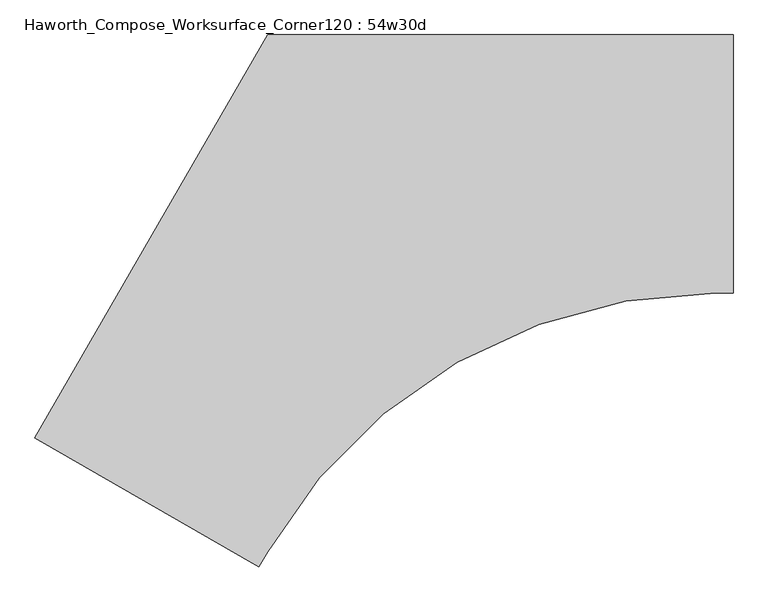
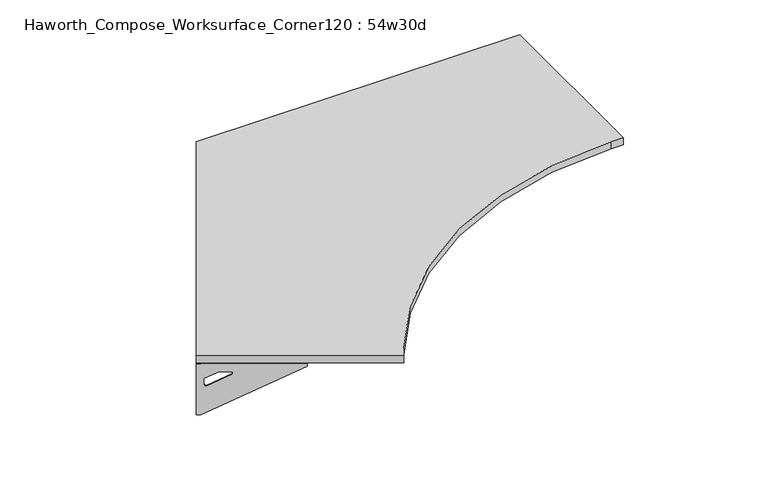
"""IFC4 building model written with IfcOpenShell, lengths in millimetres: furniture geometry, Haworth_Compose_Worksurface_Corner120 : 54w30d."""

import ifcopenshell
import ifcopenshell.guid

model = None  # the IFC model being written
_history = None  # IfcOwnerHistory: only IFC2X3 demands one
_inside = {}  # id of a spatial element -> (the spatial element, [elements in it])
_under = {}  # id of a project, library or spatial element -> (it, [spatial elements below it])
_declared = {}  # id of a project -> (the project, [libraries it declares])
_typed = {}  # id of a type object -> (the type object, [elements of that type])
_made_of = {}  # id of a material, layer set ... -> (it, [elements and type objects made of it])


def new_model(schema):
    """Start an empty IFC model of exactly this schema.

    Asked for "IFC4X3", IfcOpenShell would pick the latest addendum, in which some entities
    have other attributes; the version numbers below select the first issue.
    IFC2X3 requires an IfcOwnerHistory on every rooted entity: one is made here for all.
    """
    global model, _history
    if schema == "IFC4X3":
        model = ifcopenshell.file(schema_version=(4, 3, 0, 0))
    else:
        model = ifcopenshell.file(schema=schema)
    _inside.clear()
    _under.clear()
    _declared.clear()
    _typed.clear()
    _made_of.clear()
    _history = None
    if model.schema == "IFC2X3":
        org = make("IfcOrganization", Name="unknown")
        user = make(
            "IfcPersonAndOrganization",
            ThePerson=make("IfcPerson", FamilyName="unknown"),
            TheOrganization=org,
        )
        app = make(
            "IfcApplication",
            ApplicationDeveloper=org,
            Version="unknown",
            ApplicationFullName="unknown",
            ApplicationIdentifier="unknown",
        )
        _history = make(
            "IfcOwnerHistory",
            OwningUser=user,
            OwningApplication=app,
            ChangeAction="ADDED",
            CreationDate=0,
        )
    return model


def make(cls, **values):
    """One entity of the class cls with the attributes given. An attribute that is None is left unset."""
    return model.create_entity(
        cls, **{name: value for name, value in values.items() if value is not None}
    )


def rooted(cls, **values):
    """An entity with a GlobalId (a new one), such as an element, a storey or a relation."""
    return make(cls, GlobalId=ifcopenshell.guid.new(), OwnerHistory=_history, **values)


def si_unit(unit_type, name, prefix=None):
    """IfcSIUnit, for example si_unit("LENGTHUNIT", "METRE", prefix="MILLI")."""
    return make("IfcSIUnit", UnitType=unit_type, Prefix=prefix, Name=name)


def assignment(units):
    """IfcUnitAssignment: the units of a project."""
    return None if units is None else make("IfcUnitAssignment", Units=units)


def point(xyz):
    """IfcCartesianPoint."""
    return None if xyz is None else make("IfcCartesianPoint", Coordinates=xyz)


def direction(xyz):
    """IfcDirection."""
    return None if xyz is None else make("IfcDirection", DirectionRatios=xyz)


def frame(location, z_axis=None, x_axis=None):
    """IfcAxis2Placement3D, a coordinate frame: its origin and axes. An axis left out is left unset."""
    return make(
        "IfcAxis2Placement3D",
        Location=point(location),
        Axis=direction(z_axis),
        RefDirection=direction(x_axis),
    )


def frame_2d(location, x_axis=None):
    """IfcAxis2Placement2D, a coordinate frame in the plane: its origin and x axis."""
    return make(
        "IfcAxis2Placement2D", Location=point(location), RefDirection=direction(x_axis)
    )


def origin():
    """The frame at (0, 0, 0) with its axes left unset."""
    return frame((0.0, 0.0, 0.0))


def place(relative_to, where):
    """IfcLocalPlacement: puts the frame where relative to a parent placement (None: the world)."""
    return make(
        "IfcLocalPlacement", PlacementRelTo=relative_to, RelativePlacement=where
    )


def context(
    kind, dimensions, precision=None, world=None, true_north=None, identifier=None
):
    """IfcGeometricRepresentationContext, for example the 3D "Model" context."""
    return make(
        "IfcGeometricRepresentationContext",
        ContextIdentifier=identifier,
        ContextType=kind,
        CoordinateSpaceDimension=dimensions,
        Precision=precision,
        WorldCoordinateSystem=world,
        TrueNorth=true_north,
    )


def project(units=None, contexts=None):
    """IfcProject with its units and contexts."""
    return rooted(
        "IfcProject",
        Name="project",
        RepresentationContexts=contexts,
        UnitsInContext=assignment(units),
    )


def spatial(cls, under=None, at=None, **own):
    """A site, building, storey or space (cls), placed at a placement, below another one or the project."""
    s = rooted(cls, ObjectPlacement=at, **own)
    if under is not None:
        _under.setdefault(under.id(), (under, []))[1].append(s)
    return s


def polyline(points):
    """IfcPolyline through the points."""
    return make("IfcPolyline", Points=[point(p) for p in points])


def circle_curve(where, radius):
    """IfcCircle in the frame where."""
    return make("IfcCircle", Position=where, Radius=radius)


def trimmed(basis, trim1, trim2, sense, master):
    """IfcTrimmedCurve: the piece of a basis curve between two trims."""
    return make(
        "IfcTrimmedCurve",
        BasisCurve=basis,
        Trim1=trim1,
        Trim2=trim2,
        SenseAgreement=sense,
        MasterRepresentation=master,
    )


def segment(curve, same_sense, transition):
    """IfcCompositeCurveSegment."""
    return make(
        "IfcCompositeCurveSegment",
        Transition=transition,
        SameSense=same_sense,
        ParentCurve=curve,
    )


def composite_curve(segments, self_intersect=None):
    """IfcCompositeCurve: segments joined end to end."""
    return make("IfcCompositeCurve", Segments=segments, SelfIntersect=self_intersect)


def outline(outer, holes=None, kind="AREA"):
    """IfcArbitraryClosedProfileDef: a profile drawn as a closed curve; with holes, ...WithVoids."""
    if holes is None:
        return make("IfcArbitraryClosedProfileDef", ProfileType=kind, OuterCurve=outer)
    return make(
        "IfcArbitraryProfileDefWithVoids",
        ProfileType=kind,
        OuterCurve=outer,
        InnerCurves=holes,
    )


def extrude(swept, where, along, depth):
    """IfcExtrudedAreaSolid: the profile swept, set in the frame where, extruded along a direction by depth."""
    return make(
        "IfcExtrudedAreaSolid",
        SweptArea=swept,
        Position=where,
        ExtrudedDirection=direction(along),
        Depth=depth,
    )


def shape(context_of_items, identifier, shape_type, items):
    """IfcShapeRepresentation: the items that make up one representation, for example the "Body"."""
    return make(
        "IfcShapeRepresentation",
        ContextOfItems=context_of_items,
        RepresentationIdentifier=identifier,
        RepresentationType=shape_type,
        Items=items,
    )


def source(mapping_origin, context_of_items, identifier, shape_type, items):
    """IfcRepresentationMap: a shape defined once, which mapped items show again and again."""
    return make(
        "IfcRepresentationMap",
        MappingOrigin=mapping_origin,
        MappedRepresentation=shape(context_of_items, identifier, shape_type, items),
    )


def transform(
    local_origin,
    x_axis=None,
    y_axis=None,
    z_axis=None,
    scale=None,
    scale2=None,
    scale3=None,
    uniform=True,
):
    """IfcCartesianTransformationOperator3D, or its non-uniform kind. x_axis, y_axis, z_axis: its Axis1, 2, 3."""
    if uniform:
        return make(
            "IfcCartesianTransformationOperator3D",
            Axis1=direction(x_axis),
            Axis2=direction(y_axis),
            LocalOrigin=point(local_origin),
            Scale=scale,
            Axis3=direction(z_axis),
        )
    return make(
        "IfcCartesianTransformationOperator3DnonUniform",
        Axis1=direction(x_axis),
        Axis2=direction(y_axis),
        LocalOrigin=point(local_origin),
        Scale=scale,
        Axis3=direction(z_axis),
        Scale2=scale2,
        Scale3=scale3,
    )


def mapped(mapping_source, mapping_target):
    """IfcMappedItem: shows the shape of a source again, moved by a transform."""
    return make(
        "IfcMappedItem", MappingSource=mapping_source, MappingTarget=mapping_target
    )


def made_of(thing, what):
    """Note that an element or type object is made of a material, layer set ...; save() writes the relation."""
    if what is not None:
        _made_of.setdefault(what.id(), (what, []))[1].append(thing)
    return thing


def element(
    cls,
    number,
    at=None,
    inside=None,
    cuts=None,
    type_object=None,
    material=None,
    context=None,
    identifier="Body",
    shape_type=None,
    held_by="IfcProductDefinitionShape",
    body=None,
    shapes=None,
    **own,
):
    """One element of the class cls, such as IfcWall. Its Tag is "e" and its number.

    at: its placement. inside: the storey or other place that contains it. cuts: it is an
    opening in that element (IfcRelVoidsElement). A single representation is given by context,
    identifier, shape_type and body (its items); several are given by shapes. held_by: the class
    of the entity that holds the representations. save() writes the other relations.
    """
    e = rooted(cls, Tag="e%d" % number, ObjectPlacement=at, **own)
    if body is not None:
        shapes = [shape(context, identifier, shape_type, body)]
    if shapes is not None:
        e.Representation = make(held_by, Representations=shapes)
    if inside is not None:
        _inside.setdefault(inside.id(), (inside, []))[1].append(e)
    if cuts is not None:
        rooted(
            "IfcRelVoidsElement", RelatingBuildingElement=cuts, RelatedOpeningElement=e
        )
    if type_object is not None:
        _typed.setdefault(type_object.id(), (type_object, []))[1].append(e)
    return made_of(e, material)


def aggregate(whole, parts):
    """IfcRelAggregates: a whole, such as a stair, and the parts it consists of."""
    return rooted("IfcRelAggregates", RelatingObject=whole, RelatedObjects=parts)


def save(model, path):
    """Write the relations noted so far, then the file.

    IfcRelAggregates (storeys below a building ...), IfcRelContainedInSpatialStructure (elements
    in a storey), IfcRelDefinesByType, IfcRelAssociatesMaterial and IfcRelDeclares: one each for
    every whole, place, type object, material and project.
    """
    for whole, parts in _under.values():
        aggregate(whole, parts)
    for where, things in _inside.values():
        rooted(
            "IfcRelContainedInSpatialStructure",
            RelatedElements=things,
            RelatingStructure=where,
        )
    for kind, things in _typed.values():
        rooted("IfcRelDefinesByType", RelatedObjects=things, RelatingType=kind)
    for what, things in _made_of.values():
        rooted("IfcRelAssociatesMaterial", RelatedObjects=things, RelatingMaterial=what)
    for by, libraries in _declared.values():
        rooted("IfcRelDeclares", RelatingContext=by, RelatedDefinitions=libraries)
    model.write(path)


def plane_surface(at):
    """IfcPlane: the flat surface through the origin of the frame at, square to its z axis."""
    return make("IfcPlane", Position=at)


def revolved_surface(curve, axis_point, axis_direction):
    """IfcSurfaceOfRevolution: the curve turned about the line through axis_point along axis_direction."""
    return make(
        "IfcSurfaceOfRevolution",
        SweptCurve=make("IfcArbitraryOpenProfileDef", ProfileType="CURVE", Curve=curve),
        AxisPosition=make("IfcAxis1Placement", Location=point(axis_point), Axis=direction(axis_direction)),
    )


def advanced_brep(points, edges, surfaces, faces):
    """IfcAdvancedBrep: a solid bounded by faces that lie on surfaces and meet in shared edges.

    An edge is (start, end): straight between two places in points (the first is 0);
    or (start, end, curve); or (start, end, curve, False) where it runs against its curve.
    A face is (place in surfaces, loops), or (place, loops, False) where it looks against
    its surface's normal. A loop lists edges by number (the first is 1), with a minus sign
    where the edge is run from its end to its start. The first loop is the outer one.
    """
    corners = [point(p) for p in points]
    vertices = [make("IfcVertexPoint", VertexGeometry=c) for c in corners]
    made = []
    for start, end, *more in edges:
        made.append(
            make(
                "IfcEdgeCurve",
                EdgeStart=vertices[start],
                EdgeEnd=vertices[end],
                EdgeGeometry=more[0] if more else make("IfcPolyline", Points=[corners[start], corners[end]]),
                SameSense=more[1] if len(more) > 1 else True,
            )
        )
    hull = []
    for where, loops, *sense in faces:
        bounds = []
        for j, loop in enumerate(loops):
            ring = [make("IfcOrientedEdge", EdgeElement=made[abs(k) - 1], Orientation=k > 0) for k in loop]
            bounds.append(
                make(
                    "IfcFaceOuterBound" if j == 0 else "IfcFaceBound",
                    Bound=make("IfcEdgeLoop", EdgeList=ring),
                    Orientation=True,
                )
            )
        hull.append(make("IfcAdvancedFace", Bounds=bounds, FaceSurface=surfaces[where], SameSense=sense[0] if sense else True))
    return make("IfcAdvancedBrep", Outer=make("IfcClosedShell", CfsFaces=hull))


def haworth_compose_worksurface_corner120_54w30d_5f520fa8(model_context):
    return source(origin(), model_context, "Body", "SolidModel", [
        advanced_brep(
        [(607.21875, 304.8, 473.86875), (607.21875, 288.925, 473.86875), (607.21875, -101.6, 690.1317568), (607.21875, -101.6, 702.46875), (607.21875, 288.925, 702.46875), (607.21875, 304.8, 702.46875), (607.21875, 221.490072, 664.36875), (607.21875, 177.8355284, 664.36875), (607.21875, 175.1564235, 654.7830539), (607.21875, 266.8776173, 603.9901439), (607.21875, 276.225, 609.5881969), (607.21875, 276.225, 633.0985246), (607.21875, 274.4730055, 635.9367776), (607.21875, 224.5663437, 663.5738425), (609.6, 304.8, 473.86875), (609.6, 304.8, 702.46875), (609.6, 288.925, 702.46875), (609.6, 288.925, 704.85), (609.6, -101.6, 704.85), (609.6, -101.6, 690.1317568), (609.6, 288.925, 473.86875), (609.6, 221.490072, 664.36875), (609.6, 224.5663437, 663.5738425), (609.6, 274.4730055, 635.9367776), (609.6, 276.225, 633.0985246), (609.6, 276.225, 609.5881969), (609.6, 266.8776173, 603.9901439), (609.6, 175.1564235, 654.7830539), (609.6, 177.8355284, 664.36875), (568.325, -101.6, 704.85), (568.325, -101.6, 702.46875), (568.325, 288.925, 702.46875), (568.325, 288.925, 704.85)],
        [
            (0, 1),
            (1, 2),
            (2, 3),
            (3, 4),
            (4, 5),
            (5, 0),
            (6, 7),
            (7, 8, circle_curve(frame((607.21875, 177.8355284, 659.2015106), z_axis=(1.0, 0.0, 0.0), x_axis=(0.0, -1.0, 0.0)), 5.1672394)),
            (8, 9),
            (9, 10, circle_curve(frame((607.21875, 269.875, 609.5881969), z_axis=(1.0, 0.0, 0.0), x_axis=(0.0, -1.0, 0.0)), 6.35)),
            (10, 11),
            (11, 12, circle_curve(frame((607.21875, 273.05, 633.0985246), z_axis=(1.0, 0.0, 0.0), x_axis=(0.0, -1.0, 0.0)), 3.175)),
            (12, 13),
            (13, 6, circle_curve(frame((607.21875, 221.490072, 658.01875), z_axis=(1.0, 0.0, 0.0), x_axis=(0.0, -1.0, 0.0)), 6.35)),
            (14, 15),
            (15, 16),
            (16, 17),
            (17, 18),
            (18, 19),
            (19, 20),
            (20, 14),
            (21, 22, circle_curve(frame((609.6, 221.490072, 658.01875), z_axis=(-1.0, 0.0, 0.0), x_axis=(0.0, -1.0, 0.0)), 6.35)),
            (22, 23),
            (23, 24, circle_curve(frame((609.6, 273.05, 633.0985246), z_axis=(-1.0, 0.0, 0.0), x_axis=(0.0, -1.0, 0.0)), 3.175)),
            (24, 25),
            (25, 26, circle_curve(frame((609.6, 269.875, 609.5881969), z_axis=(-1.0, 0.0, 0.0), x_axis=(0.0, -1.0, 0.0)), 6.35)),
            (26, 27),
            (27, 28, circle_curve(frame((609.6, 177.8355284, 659.2015106), z_axis=(-1.0, 0.0, 0.0), x_axis=(0.0, -1.0, 0.0)), 5.1672394)),
            (28, 21),
            (4, 16),
            (15, 5),
            (14, 0),
            (20, 1),
            (19, 2),
            (18, 29),
            (29, 30),
            (30, 3),
            (6, 21),
            (28, 7),
            (9, 26),
            (25, 10),
            (24, 11),
            (23, 12),
            (27, 8),
            (31, 4),
            (30, 31),
            (32, 29),
            (17, 32),
            (31, 32),
            (22, 13),
        ],
        [
            plane_surface(frame((607.21875, 304.8, 473.86875), z_axis=(-1.0, 0.0, 0.0), x_axis=(0.0, 1.0, 0.0))),
            plane_surface(frame((609.6, 304.8, 473.86875), z_axis=(1.0, 0.0, 0.0), x_axis=(0.0, -1.0, 0.0))),
            plane_surface(frame((609.6, -101.6, 702.46875), z_axis=(0.0, 0.0, 1.0), x_axis=(-1.0, 0.0, 0.0))),
            plane_surface(frame((609.6, 304.8, 702.46875), z_axis=(0.0, 1.0, 0.0), x_axis=(-1.0, 0.0, 0.0))),
            plane_surface(frame((609.6, 304.8, 473.86875), z_axis=(0.0, 0.0, -1.0), x_axis=(-1.0, 0.0, 0.0))),
            plane_surface(frame((609.6, 288.925, 473.86875), z_axis=(0.0, -0.4844522351345575, -0.8748177135112957), x_axis=(-1.0, 0.0, 0.0))),
            plane_surface(frame((609.6, -101.6, 690.1317568), z_axis=(0.0, -1.0, 0.0), x_axis=(-1.0, 0.0, 0.0))),
            plane_surface(frame((609.6, 221.490072, 664.36875), z_axis=(0.0, 0.0, -1.0), x_axis=(-1.0, 0.0, 0.0))),
            revolved_surface(polyline([(607.21875, 263.525, 609.5881969), (609.6, 263.525, 609.5881969)]), (609.6, 269.875, 609.5881969), (-1.0, 0.0, 0.0)),
            plane_surface(frame((609.6, 276.225, 609.5881969), z_axis=(0.0, -1.0, 0.0), x_axis=(-1.0, 0.0, 0.0))),
            revolved_surface(polyline([(607.21875, 269.875, 633.0985246), (609.6, 269.875, 633.0985246)]), (609.6, 273.05, 633.0985246), (-1.0, 0.0, 0.0)),
            revolved_surface(polyline([(607.21875, 172.668289, 659.2015106), (609.6, 172.668289, 659.2015106)]), (609.6, 177.8355284, 659.2015106), (-1.0, 0.0, 0.0)),
            plane_surface(frame((609.6, 288.925, 702.46875), z_axis=(0.0, 0.0, -1.0), x_axis=(-1.0, 0.0, 0.0))),
            plane_surface(frame((609.6, 288.925, 704.85), z_axis=(0.0, 0.0, 1.0), x_axis=(1.0, 0.0, 0.0))),
            plane_surface(frame((568.325, 288.925, 704.85), z_axis=(0.0, 1.0, 0.0), x_axis=(0.0, 0.0, -1.0))),
            plane_surface(frame((568.325, -101.6, 704.85), z_axis=(-1.0, 0.0, 0.0), x_axis=(0.0, 0.0, -1.0))),
            plane_surface(frame((609.6, 175.1564235, 654.7830539), z_axis=(0.0, 0.4844522351341526, 0.8748177135115199), x_axis=(-1.0, 0.0, 0.0))),
            plane_surface(frame((609.6, 274.4730055, 635.9367776), z_axis=(0.0, -0.48445223513456226, -0.874817713511293), x_axis=(-1.0, 0.0, 0.0))),
            revolved_surface(polyline([(607.21875, 215.140072, 658.01875), (609.6, 215.140072, 658.01875)]), (609.6, 221.490072, 658.01875), (-1.0, 0.0, 0.0)),
        ],
        [
            (0, [[1, 2, 3, 4, 5, 6], [7, 8, 9, 10, 11, 12, 13, 14]]),
            (1, [[15, 16, 17, 18, 19, 20, 21], [22, 23, 24, 25, 26, 27, 28, 29]]),
            (2, [[-5, 30, -16, 31]]),
            (3, [[-31, -15, 32, -6]]),
            (4, [[-32, -21, 33, -1]]),
            (5, [[-33, -20, 34, -2]]),
            (6, [[-34, -19, 35, 36, 37, -3]]),
            (7, [[38, -29, 39, -7]]),
            (8, [[40, -26, 41, -10]]),
            (9, [[-41, -25, 42, -11]]),
            (10, [[-42, -24, 43, -12]]),
            (11, [[-39, -28, 44, -8]]),
            (12, [[45, -4, -37, 46]]),
            (13, [[47, -35, -18, 48]]),
            (14, [[-17, -30, -45, 49, -48]]),
            (15, [[-36, -47, -49, -46]]),
            (16, [[-44, -27, -40, -9]]),
            (17, [[-43, -23, 50, -13]]),
            (18, [[-50, -22, -38, -14]]),
        ],
    ),
        advanced_brep(
        [(-1446.609375, -880.9782208, 473.86875), (-1446.609375, -880.9782208, 702.46875), (-1432.8612217, -888.9157208, 702.46875), (-1094.6566509, -1084.1782208, 702.46875), (-1094.6566509, -1084.1782208, 690.1317568), (-1432.8612217, -888.9157208, 473.86875), (-1374.460861, -922.6331848, 664.36875), (-1377.1249904, -921.095049, 663.5738425), (-1420.3454274, -896.1417181, 635.9367776), (-1421.8626991, -895.2657208, 633.0985246), (-1421.8626991, -895.2657208, 609.5881969), (-1413.7676282, -899.9394122, 603.9901439), (-1334.3347443, -945.8000091, 654.7830539), (-1336.6549172, -944.4604566, 664.36875), (-1447.8, -883.0404438, 473.86875), (-1434.0518467, -890.9779438, 473.86875), (-1095.8472759, -1086.2404438, 690.1317568), (-1095.8472759, -1086.2404438, 704.85), (-1434.0518467, -890.9779438, 704.85), (-1434.0518467, -890.9779438, 702.46875), (-1447.8, -883.0404438, 702.46875), (-1375.651486, -924.6954078, 664.36875), (-1337.8455422, -946.5226796, 664.36875), (-1335.5253693, -947.8622321, 654.7830539), (-1414.9582532, -902.0016352, 603.9901439), (-1423.0533241, -897.3279438, 609.5881969), (-1423.0533241, -897.3279438, 633.0985246), (-1421.5360524, -898.2039411, 635.9367776), (-1378.3156154, -923.157272, 663.5738425), (-1075.2097759, -1050.4952453, 702.46875), (-1075.2097759, -1050.4952453, 704.85), (-1413.4143467, -855.2327453, 702.46875), (-1413.4143467, -855.2327453, 704.85)],
        [
            (0, 1),
            (1, 2),
            (2, 3),
            (3, 4),
            (4, 5),
            (5, 0),
            (6, 7, circle_curve(frame((-1374.460861, -922.6331848, 658.01875), z_axis=(-0.5000000000000026, -0.8660254037844374, 0.0), x_axis=(0.8660254037844372, -0.5000000000000024, 0.0)), 6.35)),
            (7, 8),
            (8, 9, circle_curve(frame((-1419.1130684, -896.8532208, 633.0985246), z_axis=(-0.5000000000000026, -0.8660254037844374, 0.0), x_axis=(0.8660254037844372, -0.5000000000000024, 0.0)), 3.175)),
            (9, 10),
            (10, 11, circle_curve(frame((-1416.3634378, -898.4407208, 609.5881969), z_axis=(-0.5000000000000026, -0.8660254037844374, 0.0), x_axis=(0.8660254037844372, -0.5000000000000024, 0.0)), 6.35)),
            (11, 12),
            (12, 13, circle_curve(frame((-1336.6549172, -944.4604566, 659.2015106), z_axis=(-0.5000000000000026, -0.8660254037844374, 0.0), x_axis=(0.8660254037844372, -0.5000000000000024, 0.0)), 5.1672394)),
            (13, 6),
            (14, 15),
            (15, 16),
            (16, 17),
            (17, 18),
            (18, 19),
            (19, 20),
            (20, 14),
            (21, 22),
            (22, 23, circle_curve(frame((-1337.8455422, -946.5226796, 659.2015106), z_axis=(0.5000000000000026, 0.8660254037844374, 0.0), x_axis=(0.8660254037844372, -0.5000000000000024, 0.0)), 5.1672394)),
            (23, 24),
            (24, 25, circle_curve(frame((-1417.5540628, -900.5029438, 609.5881969), z_axis=(0.5000000000000026, 0.8660254037844374, 0.0), x_axis=(0.8660254037844372, -0.5000000000000024, 0.0)), 6.35)),
            (25, 26),
            (26, 27, circle_curve(frame((-1420.3036934, -898.9154438, 633.0985246), z_axis=(0.5000000000000026, 0.8660254037844374, 0.0), x_axis=(0.8660254037844372, -0.5000000000000024, 0.0)), 3.175)),
            (27, 28),
            (28, 21, circle_curve(frame((-1375.651486, -924.6954078, 658.01875), z_axis=(0.5000000000000026, 0.8660254037844374, 0.0), x_axis=(0.8660254037844372, -0.5000000000000024, 0.0)), 6.35)),
            (1, 20),
            (19, 2),
            (0, 14),
            (5, 15),
            (4, 16),
            (3, 29),
            (29, 30),
            (30, 17),
            (13, 22),
            (21, 6),
            (10, 25),
            (24, 11),
            (9, 26),
            (8, 27),
            (12, 23),
            (31, 29),
            (2, 31),
            (32, 18),
            (30, 32),
            (32, 31),
            (7, 28),
        ],
        [
            plane_surface(frame((-1446.609375, -880.9782208, 473.86875), z_axis=(0.5000000000000026, 0.8660254037844373, 0.0), x_axis=(-0.8660254037844373, 0.5000000000000026, 0.0))),
            plane_surface(frame((-1447.8, -883.0404438, 473.86875), z_axis=(-0.5000000000000026, -0.8660254037844373, 0.0), x_axis=(0.8660254037844373, -0.5000000000000026, 0.0))),
            plane_surface(frame((-1095.8472759, -1086.2404438, 702.46875), z_axis=(0.0, 0.0, 1.0), x_axis=(0.5000000000000011, 0.866025403784438, 0.0))),
            plane_surface(frame((-1447.8, -883.0404438, 702.46875), z_axis=(-0.866025403784438, 0.5000000000000011, 0.0), x_axis=(0.5000000000000011, 0.866025403784438, 0.0))),
            plane_surface(frame((-1447.8, -883.0404438, 473.86875), z_axis=(0.0, 0.0, -1.0), x_axis=(0.5000000000000011, 0.866025403784438, 0.0))),
            plane_surface(frame((-1434.0518467, -890.9779438, 473.86875), z_axis=(0.41954794254667943, -0.24222611756727808, -0.8748177135112957), x_axis=(0.5000000000000011, 0.866025403784438, 0.0))),
            plane_surface(frame((-1095.8472759, -1086.2404438, 690.1317568), z_axis=(0.866025403784438, -0.5000000000000011, 0.0), x_axis=(0.5000000000000011, 0.866025403784438, 0.0))),
            plane_surface(frame((-1375.651486, -924.6954078, 664.36875), z_axis=(0.0, 0.0, -1.0), x_axis=(0.5000000000000011, 0.866025403784438, 0.0))),
            revolved_surface(polyline([(-1410.864176479327, -901.615720795734, 609.5881969), (-1412.0548014983856, -903.6779438215062, 609.5881969)]), (-1417.5540628, -900.5029438, 609.5881969), (0.5000000000000024, 0.8660254037844372, 0.0)),
            plane_surface(frame((-1423.0533241, -897.3279438, 609.5881969), z_axis=(0.866025403784438, -0.5000000000000011, 0.0), x_axis=(0.5000000000000011, 0.866025403784438, 0.0))),
            revolved_surface(polyline([(-1416.36343773985, -898.4407208018096, 633.0985246), (-1417.5540627864536, -900.5029438752912, 633.0985246)]), (-1420.3036934, -898.9154438, 633.0985246), (0.5000000000000024, 0.8660254037844372, 0.0)),
            revolved_surface(polyline([(-1332.17995660903, -947.0440763018096, 659.2015106), (-1333.3705816345157, -949.1062993387139, 659.2015106)]), (-1337.8455422, -946.5226796, 659.2015106), (0.5000000000000024, 0.8660254037844372, 0.0)),
            plane_surface(frame((-1434.0518467, -890.9779438, 702.46875), z_axis=(0.0, 0.0, -1.0), x_axis=(0.5000000000000011, 0.866025403784438, 0.0))),
            plane_surface(frame((-1434.0518467, -890.9779438, 704.85), z_axis=(0.0, 0.0, 1.0), x_axis=(-0.5000000000000011, -0.866025403784438, 0.0))),
            plane_surface(frame((-1413.4143467, -855.2327453, 704.85), z_axis=(-0.866025403784438, 0.5000000000000011, 0.0), x_axis=(0.0, 0.0, -1.0))),
            plane_surface(frame((-1075.2097759, -1050.4952453, 704.85), z_axis=(0.5000000000000011, 0.866025403784438, 0.0), x_axis=(0.0, 0.0, -1.0))),
            plane_surface(frame((-1335.5253693, -947.8622321, 654.7830539), z_axis=(-0.41954794254632877, 0.24222611756707563, 0.87481771351152), x_axis=(0.5000000000000011, 0.866025403784438, 0.0))),
            plane_surface(frame((-1421.5360524, -898.2039411, 635.9367776), z_axis=(0.4195479425466836, -0.24222611756728046, -0.874817713511293), x_axis=(0.5000000000000011, 0.866025403784438, 0.0))),
            revolved_surface(polyline([(-1368.9615996828345, -925.8081848018096, 658.01875), (-1370.1522246973336, -927.8704078196846, 658.01875)]), (-1375.651486, -924.6954078, 658.01875), (0.5000000000000024, 0.8660254037844372, 0.0)),
        ],
        [
            (0, [[1, 2, 3, 4, 5, 6], [7, 8, 9, 10, 11, 12, 13, 14]]),
            (1, [[15, 16, 17, 18, 19, 20, 21], [22, 23, 24, 25, 26, 27, 28, 29]]),
            (2, [[30, -20, 31, -2]]),
            (3, [[-1, 32, -21, -30]]),
            (4, [[-6, 33, -15, -32]]),
            (5, [[-5, 34, -16, -33]]),
            (6, [[-4, 35, 36, 37, -17, -34]]),
            (7, [[-14, 38, -22, 39]]),
            (8, [[-11, 40, -25, 41]]),
            (9, [[-10, 42, -26, -40]]),
            (10, [[-9, 43, -27, -42]]),
            (11, [[-13, 44, -23, -38]]),
            (12, [[45, -35, -3, 46]]),
            (13, [[47, -18, -37, 48]]),
            (14, [[-47, 49, -46, -31, -19]]),
            (15, [[-45, -49, -48, -36]]),
            (16, [[-12, -41, -24, -44]]),
            (17, [[-8, 50, -28, -43]]),
            (18, [[-7, -39, -29, -50]]),
        ],
    ),
        extrude(outline(composite_curve([segment(polyline([(-1447.8, -883.0404438), (-762.0, 304.8), (609.6, 304.8), (609.6, -457.2), (557.8227154, -457.2)]), True, "CONTINUOUS"), segment(trimmed(circle_curve(frame_2d((557.8227154, -1981.2)), 1524.0), [point((557.8227154, -457.2))], [point((-762.0, -1219.2))], True, "CARTESIAN"), True, "CONTINUOUS"), segment(polyline([(-762.0, -1219.2), (-787.8886423, -1264.0404438), (-1447.8, -883.0404438)]), True, "CONTINUOUS")], self_intersect=False)), frame((0.0, 0.0, 706.4375), z_axis=(0.0, 0.0, 1.0), x_axis=(1.0, 0.0, 0.0)), (0.0, 0.0, 1.0), 30.1625),
    ])


if __name__ == "__main__":
    model = new_model("IFC4")
    model_context = context("Model", 3, world=origin())
    ifc_project = project(units=[si_unit("LENGTHUNIT", "METRE", prefix="MILLI")], contexts=[model_context])
    site = spatial("IfcSite", under=ifc_project)
    building = spatial("IfcBuilding", under=site)
    placement = place(None, origin())
    haworth_compose_worksurface_corner120_54w30d_shape = haworth_compose_worksurface_corner120_54w30d_5f520fa8(model_context)
    element("IfcFurniture", 1, ObjectType="Haworth_Compose_Worksurface_Corner120 : 54w30d", at=placement, inside=building, context=model_context, shape_type="MappedRepresentation", body=[
        mapped(haworth_compose_worksurface_corner120_54w30d_shape, transform((0.0, 0.0, 0.0), x_axis=(1.0, 0.0, 0.0), y_axis=(0.0, 1.0, 0.0), z_axis=(0.0, 0.0, 1.0))),
    ])
    save(model, "model.ifc")
